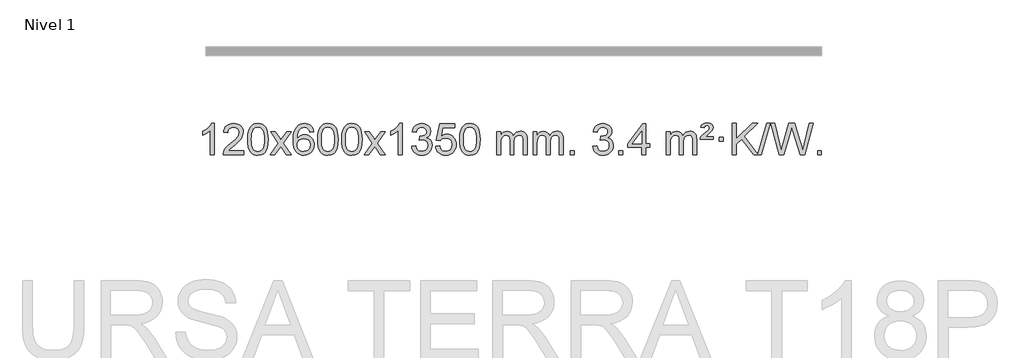
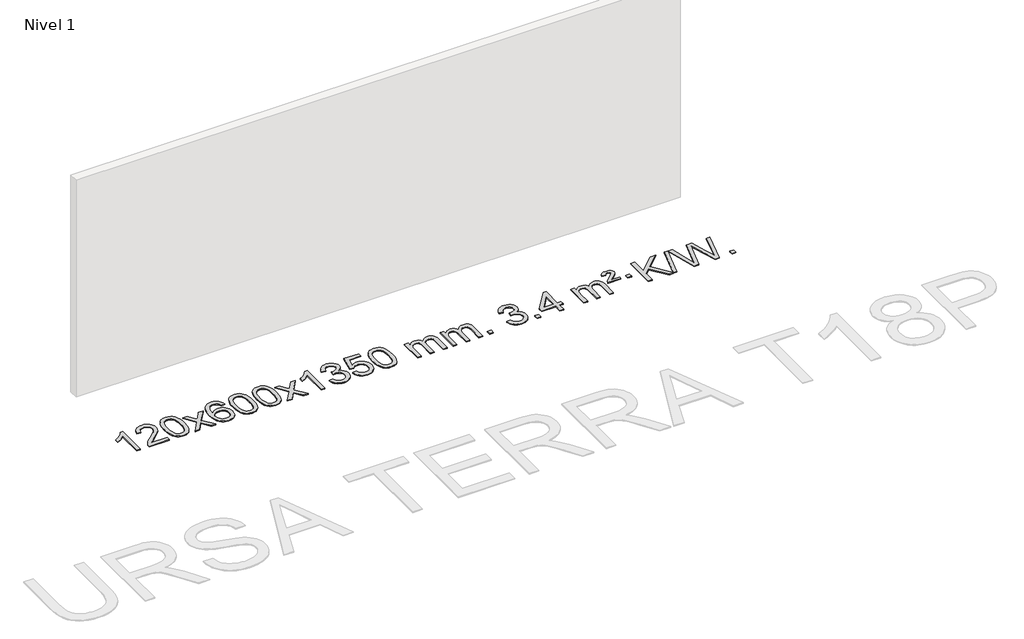
# One storey, part 2 of 7: 1 proxy.
"""IFC4 building model written with IfcOpenShell, lengths in millimetres."""

from ifc_helpers import new_model, si_unit, origin, origin_with_axes, place, context, project, spatial, polyline, outline, extrude, element, save

model = new_model("IFC4")

# Units and contexts
model_context = context("Model", 3, world=origin())
ifc_project = project(units=[si_unit("LENGTHUNIT", "METRE", prefix="MILLI")], contexts=[model_context])

# Site, building, storey
site = spatial("IfcSite", under=ifc_project)
building = spatial("IfcBuilding", under=site)
storey = spatial("IfcBuildingStorey", under=building, Name="Nivel 1", Elevation=0.0)

# Proxy
placement = place(None, origin())
element("IfcBuildingElementProxy", 1, Name="Texto de modelo 1", ObjectType="Texto de modelo 1", at=placement, inside=storey, context=model_context, shape_type="SweptSolid", body=[
    extrude(outline(polyline([(-6421.6378538, -12403.579453), (-6471.8660089, -12403.579453), (-6471.8660089, -12090.4382987), (-6492.8352826, -12107.3976587), (-6519.4454136, -12124.3324932), (-6572.3223191, -12149.6918254), (-6572.3223191, -12102.2105225), (-6532.8731065, -12080.7507395), (-6498.6968691, -12055.219729), (-6471.7556443, -12028.0700378), (-6454.0114694, -12001.7542124), (-6421.6378538, -12001.7542124), (-6421.6378538, -12403.579453)])), origin_with_axes(), (0.0, 0.0, 1.0), 10.0),
    extrude(outline(polyline([(-6044.9266908, -12353.3512979), (-6044.9266908, -12403.579453), (-6308.6245049, -12403.579453), (-6307.5208589, -12385.8965918), (-6303.2289023, -12368.9494945), (-6290.8435418, -12341.8856424), (-6272.7192222, -12315.6311307), (-6246.5014987, -12288.1503456), (-6209.8359265, -12257.4076736), (-6155.6346459, -12209.2641831), (-6123.1138775, -12173.7267824), (-6106.8534933, -12144.884834), (-6101.4333652, -12116.8277005), (-6106.546925, -12091.6768347), (-6121.8876042, -12070.7688747), (-6145.4688401, -12056.6789943), (-6175.3040699, -12051.9823675), (-6206.6353531, -12056.5686297), (-6230.9768785, -12070.3274163), (-6246.6854397, -12092.1796068), (-6252.1178305, -12121.0460807), (-6302.3459855, -12114.7675613), (-6298.0264378, -12088.838012), (-6290.1690915, -12066.1826125), (-6278.7739467, -12046.8013627), (-6263.8410034, -12030.6942627), (-6245.7136181, -12018.0329907), (-6224.7351473, -12008.989225), (-6200.9055911, -12003.5629655), (-6174.2249494, -12001.7542124), (-6147.3051844, -12003.7653006), (-6123.3468694, -12009.7985654), (-6102.3500046, -12019.8540066), (-6084.3145897, -12033.9316242), (-6069.8292362, -12050.9890861), (-6059.4825551, -12069.9840598), (-6053.2745464, -12090.9165453), (-6051.2052102, -12113.7865427), (-6053.4370276, -12137.8092369), (-6060.1324799, -12161.4149983), (-6072.0150684, -12185.4254299), (-6089.8082942, -12210.6621347), (-6118.171996, -12240.7916701), (-6161.7660125, -12279.4805933), (-6219.5480112, -12327.795762), (-6242.2095421, -12353.3512979), (-6044.9266908, -12353.3512979)])), origin_with_axes(), (0.0, 0.0, 1.0), 10.0),
    extrude(outline(polyline([(-5994.6985357, -12205.9041943), (-5991.007453, -12141.5861588), (-5979.934205, -12090.2911459), (-5961.5891561, -12051.2343407), (-5949.7310932, -12036.0009605), (-5936.0826711, -12023.6309284), (-5920.5979048, -12014.0598651), (-5903.230809, -12007.2233914), (-5862.8496286, -12001.7542124), (-5831.8984901, -12004.991574), (-5804.1847131, -12014.7036586), (-5781.0081474, -12030.5103217), (-5763.6686427, -12052.0314184), (-5750.5720437, -12079.0830078), (-5740.1241951, -12111.4811488), (-5733.2815899, -12152.6226186), (-5731.0007216, -12205.9041943), (-5734.6550161, -12269.8543477), (-5745.6178995, -12321.0267333), (-5763.8525837, -12360.1203266), (-5775.6830556, -12375.3996922), (-5789.3222805, -12387.8341036), (-5804.825441, -12397.4695462), (-5822.2477191, -12404.3520052), (-5862.8496286, -12409.8579724), (-5890.5143547, -12407.4667394), (-5915.039821, -12400.2930405), (-5936.4260277, -12388.3368757), (-5954.6729746, -12371.5982449), (-5972.1841576, -12341.3399508), (-5984.6921454, -12303.6381776), (-5992.1969381, -12258.4929255), (-5994.6985357, -12205.9041943)]), holes=[polyline([(-5944.4703806, -12205.8060924), (-5942.9988527, -12249.4706195), (-5938.5842687, -12284.8148822), (-5931.2266288, -12311.8388804), (-5920.9259329, -12330.5426142), (-5908.466996, -12343.2682656), (-5894.634633, -12352.3580165), (-5879.4288439, -12357.8118671), (-5862.8496286, -12359.6298173), (-5846.2704134, -12357.8057357), (-5831.0646243, -12352.3334911), (-5817.2322612, -12343.2130833), (-5804.7733243, -12330.4445124), (-5794.4726285, -12311.7101217), (-5787.1149886, -12284.6922549), (-5782.7004046, -12249.3909118), (-5781.2288766, -12205.8060924), (-5782.6513537, -12163.2973278), (-5786.9187848, -12128.5753989), (-5794.0311701, -12101.6403055), (-5803.9885094, -12082.4920476), (-5816.2389799, -12069.1440625), (-5830.2307584, -12059.6097875), (-5845.9638451, -12053.8892225), (-5863.4382398, -12051.9823675), (-5879.931616, -12053.6623619), (-5894.8798877, -12058.7023452), (-5908.283055, -12067.1023175), (-5920.141118, -12078.8622786), (-5930.7851704, -12099.708925), (-5938.388065, -12127.8151094), (-5942.9498017, -12163.1808319), (-5944.4703806, -12205.8060924)])]), origin_with_axes(), (0.0, 0.0, 1.0), 10.0),
    extrude(outline(polyline([(-5705.886644, -12403.579453), (-5598.5632033, -12255.2494325), (-5699.6081246, -12108.4890419), (-5639.1773756, -12108.4890419), (-5590.4207485, -12179.122385), (-5567.6611157, -12212.4770192), (-5547.9426408, -12185.2047007), (-5492.416985, -12108.4890419), (-5431.9862359, -12108.4890419), (-5538.1324542, -12255.2494325), (-5435.9103105, -12403.579453), (-5496.3410596, -12403.579453), (-5557.8509292, -12314.4048574), (-5569.1326437, -12298.1199477), (-5645.455895, -12403.579453), (-5705.886644, -12403.579453)])), origin_with_axes(), (0.0, 0.0, 1.0), 10.0),
    extrude(outline(polyline([(-5147.0984188, -12108.4890419), (-5197.3265739, -12114.7675613), (-5205.4199778, -12089.874213), (-5216.3583358, -12072.8780648), (-5239.142494, -12057.2062918), (-5266.6845927, -12051.9823675), (-5290.0328367, -12055.0235253), (-5312.0076545, -12064.1469988), (-5330.8800009, -12083.3627017), (-5346.2942565, -12109.8134171), (-5356.7053169, -12147.227016), (-5360.5680779, -12199.3313693), (-5340.4204073, -12175.8237098), (-5316.2750857, -12159.2567573), (-5289.4810137, -12149.434308), (-5261.387092, -12146.1601582), (-5237.2540331, -12148.398107), (-5214.9849097, -12155.1119534), (-5194.5797217, -12166.3016975), (-5176.0384691, -12181.9673391), (-5160.6303449, -12201.1769106), (-5149.6245419, -12222.9984443), (-5143.02106, -12247.4319401), (-5140.8198994, -12274.4773982), (-5144.9647033, -12310.4439945), (-5157.3991147, -12343.786366), (-5177.0930642, -12372.0642287), (-5203.0164821, -12392.8372987), (-5233.9921461, -12405.602804), (-5268.8428338, -12409.8579724), (-5298.7853625, -12407.0375437), (-5325.8277548, -12398.5762579), (-5349.9700107, -12384.4741147), (-5371.2121303, -12364.7311143), (-5388.5301752, -12338.5133908), (-5400.9002073, -12304.9870783), (-5408.3222266, -12264.1521768), (-5410.796233, -12216.0086864), (-5408.0493807, -12162.0342663), (-5399.808824, -12115.9693092), (-5386.0745629, -12077.8138149), (-5366.8465973, -12047.5677835), (-5346.0060823, -12027.5243462), (-5321.8423665, -12013.2076052), (-5294.3554501, -12004.6175606), (-5263.545333, -12001.7542124), (-5240.4116869, -12003.5261773), (-5219.47307, -12008.8420722), (-5200.7294824, -12017.7018969), (-5184.1809239, -12030.1056515), (-5170.2749845, -12045.6364031), (-5159.4592539, -12063.8772186), (-5151.733732, -12084.8280983), (-5147.0984188, -12108.4890419)]), holes=[polyline([(-5360.5680779, -12273.6925832), (-5357.6618101, -12295.9494439), (-5348.9430068, -12317.2007605), (-5335.4049494, -12335.472233), (-5318.0409193, -12348.7895612), (-5297.0839083, -12356.9197533), (-5272.7669084, -12359.6298173), (-5239.6207406, -12354.0134855), (-5225.7056041, -12346.9930708), (-5213.5624326, -12337.1644901), (-5203.7123922, -12324.9262824), (-5196.676649, -12310.6769865), (-5191.0480545, -12276.1451299), (-5196.6030726, -12242.9989621), (-5203.5468453, -12229.3781312), (-5213.268127, -12217.725469), (-5225.4480867, -12208.3904634), (-5239.7678934, -12201.7226022), (-5274.8270476, -12196.3883133), (-5307.9241644, -12201.7226022), (-5335.6011532, -12217.725469), (-5346.5241827, -12229.2248471), (-5354.3263467, -12242.3858254), (-5359.0076451, -12257.2084042), (-5360.5680779, -12273.6925832)])]), origin_with_axes(), (0.0, 0.0, 1.0), 10.0),
    extrude(outline(polyline([(-5096.8702638, -12205.9041943), (-5093.1791811, -12141.5861588), (-5082.105933, -12090.2911459), (-5063.7608842, -12051.2343407), (-5051.9028212, -12036.0009605), (-5038.2543992, -12023.6309284), (-5022.7696329, -12014.0598651), (-5005.402537, -12007.2233914), (-4965.0213567, -12001.7542124), (-4934.0702182, -12004.991574), (-4906.3564412, -12014.7036586), (-4883.1798755, -12030.5103217), (-4865.8403708, -12052.0314184), (-4852.7437718, -12079.0830078), (-4842.2959231, -12111.4811488), (-4835.453318, -12152.6226186), (-4833.1724496, -12205.9041943), (-4836.8267441, -12269.8543477), (-4847.7896275, -12321.0267333), (-4866.0243118, -12360.1203266), (-4877.8547836, -12375.3996922), (-4891.4940086, -12387.8341036), (-4906.997169, -12397.4695462), (-4924.4194471, -12404.3520052), (-4965.0213567, -12409.8579724), (-4992.6860827, -12407.4667394), (-5017.2115491, -12400.2930405), (-5038.5977557, -12388.3368757), (-5056.8447027, -12371.5982449), (-5074.3558856, -12341.3399508), (-5086.8638735, -12303.6381776), (-5094.3686662, -12258.4929255), (-5096.8702638, -12205.9041943)]), holes=[polyline([(-5046.6421087, -12205.8060924), (-5045.1705807, -12249.4706195), (-5040.7559968, -12284.8148822), (-5033.3983568, -12311.8388804), (-5023.097661, -12330.5426142), (-5010.6387241, -12343.2682656), (-4996.8063611, -12352.3580165), (-4981.6005719, -12357.8118671), (-4965.0213567, -12359.6298173), (-4948.4421414, -12357.8057357), (-4933.2363523, -12352.3334911), (-4919.4039893, -12343.2130833), (-4906.9450524, -12330.4445124), (-4896.6443565, -12311.7101217), (-4889.2867166, -12284.6922549), (-4884.8721327, -12249.3909118), (-4883.4006047, -12205.8060924), (-4884.8230817, -12163.2973278), (-4889.0905129, -12128.5753989), (-4896.2028981, -12101.6403055), (-4906.1602375, -12082.4920476), (-4918.4107079, -12069.1440625), (-4932.4024864, -12059.6097875), (-4948.1355731, -12053.8892225), (-4965.6099679, -12051.9823675), (-4982.103344, -12053.6623619), (-4997.0516157, -12058.7023452), (-5010.4547831, -12067.1023175), (-5022.3128461, -12078.8622786), (-5032.9568985, -12099.708925), (-5040.559793, -12127.8151094), (-5045.1215298, -12163.1808319), (-5046.6421087, -12205.8060924)])]), origin_with_axes(), (0.0, 0.0, 1.0), 10.0),
    extrude(outline(polyline([(-4789.2228139, -12205.9041943), (-4785.5317312, -12141.5861588), (-4774.4584832, -12090.2911459), (-4756.1134344, -12051.2343407), (-4744.2553714, -12036.0009605), (-4730.6069494, -12023.6309284), (-4715.122183, -12014.0598651), (-4697.7550872, -12007.2233914), (-4657.3739068, -12001.7542124), (-4626.4227683, -12004.991574), (-4598.7089913, -12014.7036586), (-4575.5324257, -12030.5103217), (-4558.1929209, -12052.0314184), (-4545.0963219, -12079.0830078), (-4534.6484733, -12111.4811488), (-4527.8058681, -12152.6226186), (-4525.5249998, -12205.9041943), (-4529.1792943, -12269.8543477), (-4540.1421777, -12321.0267333), (-4558.3768619, -12360.1203266), (-4570.2073338, -12375.3996922), (-4583.8465587, -12387.8341036), (-4599.3497192, -12397.4695462), (-4616.7719973, -12404.3520052), (-4657.3739068, -12409.8579724), (-4685.0386329, -12407.4667394), (-4709.5640992, -12400.2930405), (-4730.9503059, -12388.3368757), (-4749.1972528, -12371.5982449), (-4766.7084358, -12341.3399508), (-4779.2164236, -12303.6381776), (-4786.7212164, -12258.4929255), (-4789.2228139, -12205.9041943)]), holes=[polyline([(-4738.9946588, -12205.8060924), (-4737.5231309, -12249.4706195), (-4733.1085469, -12284.8148822), (-4725.750907, -12311.8388804), (-4715.4502112, -12330.5426142), (-4702.9912742, -12343.2682656), (-4689.1589112, -12352.3580165), (-4673.9531221, -12357.8118671), (-4657.3739068, -12359.6298173), (-4640.7946916, -12357.8057357), (-4625.5889025, -12352.3334911), (-4611.7565394, -12343.2130833), (-4599.2976025, -12330.4445124), (-4588.9969067, -12311.7101217), (-4581.6392668, -12284.6922549), (-4577.2246828, -12249.3909118), (-4575.7531548, -12205.8060924), (-4577.1756319, -12163.2973278), (-4581.443063, -12128.5753989), (-4588.5554483, -12101.6403055), (-4598.5127876, -12082.4920476), (-4610.7632581, -12069.1440625), (-4624.7550366, -12059.6097875), (-4640.4881233, -12053.8892225), (-4657.962518, -12051.9823675), (-4674.4558942, -12053.6623619), (-4689.4041659, -12058.7023452), (-4702.8073333, -12067.1023175), (-4714.6653962, -12078.8622786), (-4725.3094486, -12099.708925), (-4732.9123432, -12127.8151094), (-4737.4740799, -12163.1808319), (-4738.9946588, -12205.8060924)])]), origin_with_axes(), (0.0, 0.0, 1.0), 10.0),
    extrude(outline(polyline([(-4500.4109222, -12403.579453), (-4393.0874815, -12255.2494325), (-4494.1324029, -12108.4890419), (-4433.7016538, -12108.4890419), (-4384.9450267, -12179.122385), (-4362.1853939, -12212.4770192), (-4342.466919, -12185.2047007), (-4286.9412632, -12108.4890419), (-4226.5105141, -12108.4890419), (-4332.6567324, -12255.2494325), (-4230.4345887, -12403.579453), (-4290.8653378, -12403.579453), (-4352.3752074, -12314.4048574), (-4363.6569219, -12298.1199477), (-4439.9801732, -12403.579453), (-4500.4109222, -12403.579453)])), origin_with_axes(), (0.0, 0.0, 1.0), 10.0),
    extrude(outline(polyline([(-4010.6864103, -12403.579453), (-4060.9145653, -12403.579453), (-4060.9145653, -12090.4382987), (-4081.8838391, -12107.3976587), (-4108.49397, -12124.3324932), (-4161.3708755, -12149.6918254), (-4161.3708755, -12102.2105225), (-4121.9216629, -12080.7507395), (-4087.7454255, -12055.219729), (-4060.8042007, -12028.0700378), (-4043.0600258, -12001.7542124), (-4010.6864103, -12001.7542124), (-4010.6864103, -12403.579453)])), origin_with_axes(), (0.0, 0.0, 1.0), 10.0),
    extrude(outline(polyline([(-3891.394542, -12296.8446235), (-3841.1663869, -12290.5661041), (-3829.9214606, -12322.1303793), (-3813.4526099, -12343.4430095), (-3790.9504945, -12355.5831154), (-3761.6057741, -12359.6298173), (-3727.1720193, -12354.0625364), (-3712.8981979, -12347.1034354), (-3700.5864138, -12337.3606939), (-3683.5902656, -12312.4428201), (-3677.9248829, -12282.2274455), (-3683.5412147, -12253.5449126), (-3700.3902101, -12230.2825078), (-3725.8966951, -12214.8682522), (-3757.4854957, -12209.730167), (-3792.7040654, -12215.2238715), (-3787.1122591, -12164.9957164), (-3779.0679061, -12165.5843276), (-3748.9751589, -12161.979084), (-3722.0707223, -12151.1633534), (-3710.9974743, -12142.9841103), (-3703.0880114, -12132.8673555), (-3698.3423336, -12120.8130888), (-3696.760441, -12106.8213102), (-3701.3467032, -12085.1285352), (-3715.1054899, -12067.5315131), (-3736.0992891, -12055.8696539), (-3762.390589, -12051.9823675), (-3788.7309398, -12055.9064421), (-3810.2642993, -12067.6786659), (-3825.9851232, -12087.299039), (-3834.8878675, -12114.7675613), (-3885.1160226, -12108.4890419), (-3879.1624656, -12084.5092672), (-3870.3271664, -12063.3867093), (-3858.6101248, -12045.1213683), (-3844.011341, -12029.713244), (-3826.9906673, -12017.4811677), (-3808.0079564, -12008.7439703), (-3787.0632081, -12003.5016519), (-3764.1564226, -12001.7542124), (-3732.5798846, -12005.2000404), (-3703.5785207, -12015.5375245), (-3679.1266307, -12031.8469596), (-3661.1985148, -12053.2086408), (-3650.1988432, -12077.8199463), (-3646.532286, -12103.8782543), (-3650.0149022, -12128.1584659), (-3660.4627509, -12150.1823347), (-3677.7286792, -12168.9443165), (-3701.6655343, -12183.4388671), (-3670.2238865, -12196.1430586), (-3646.9246934, -12217.77452), (-3632.5037192, -12247.1560286), (-3627.6967278, -12283.1103623), (-3630.1002235, -12308.5923218), (-3637.3107106, -12332.0631931), (-3649.3281891, -12353.5229762), (-3666.152659, -12372.971671), (-3686.6498175, -12389.1094278), (-3709.6853618, -12400.636397), (-3735.2592918, -12407.5525785), (-3763.3716076, -12409.8579724), (-3788.7799908, -12407.8898037), (-3811.932031, -12401.9852977), (-3832.8277283, -12392.1444543), (-3851.4670827, -12378.3672736), (-3867.0959362, -12361.4630959), (-3878.9601305, -12342.2412617), (-3887.0596658, -12320.7017708), (-3891.394542, -12296.8446235)])), origin_with_axes(), (0.0, 0.0, 1.0), 10.0),
    extrude(outline(polyline([(-3583.7470921, -12296.8446235), (-3533.518937, -12290.5661041), (-3524.2973617, -12320.7201649), (-3508.2086558, -12342.3148381), (-3485.3263957, -12355.3010725), (-3455.7241578, -12359.6298173), (-3436.5942941, -12358.1245668), (-3419.7207732, -12353.6088153), (-3405.1035953, -12346.0825628), (-3392.7427602, -12335.5458094), (-3382.9141796, -12322.519721), (-3375.8937648, -12307.5254641), (-3370.2774331, -12271.6324441), (-3375.5381456, -12237.8363514), (-3382.1140362, -12223.9181493), (-3391.3202832, -12211.9865099), (-3403.1875432, -12202.4154467), (-3417.7464732, -12195.5789729), (-3454.9393429, -12190.1097939), (-3479.3053937, -12192.2925604), (-3499.0361314, -12198.8408599), (-3514.7937435, -12208.8717757), (-3527.2404177, -12221.5023908), (-3577.4685727, -12215.2238715), (-3533.518937, -12008.0327318), (-3338.8848361, -12008.0327318), (-3338.8848361, -12058.2608869), (-3492.9047648, -12058.2608869), (-3514.3890733, -12168.919791), (-3496.6632925, -12156.2155994), (-3478.508316, -12147.1411769), (-3459.9241439, -12141.6965234), (-3440.9107761, -12139.8816388), (-3416.4496891, -12142.1318504), (-3393.9812963, -12148.882485), (-3373.5055976, -12160.1335427), (-3355.022593, -12175.8850234), (-3339.7217677, -12195.1743027), (-3328.7926067, -12217.038756), (-3322.2351102, -12241.4783832), (-3320.049278, -12268.4931844), (-3322.0174467, -12294.5147042), (-3327.9219527, -12318.7213394), (-3337.762796, -12341.1130902), (-3351.5399768, -12361.6899565), (-3372.4111486, -12382.7634634), (-3396.7649367, -12397.8159684), (-3424.601341, -12406.8474714), (-3455.9203615, -12409.8579724), (-3481.8407138, -12407.9235262), (-3505.2533371, -12402.1201877), (-3526.1582315, -12392.447957), (-3544.5553969, -12378.9068338), (-3559.8623536, -12362.1712688), (-3571.4966217, -12342.915712), (-3579.4582012, -12321.1401636), (-3583.7470921, -12296.8446235)])), origin_with_axes(), (0.0, 0.0, 1.0), 10.0),
    extrude(outline(polyline([(-3276.0996423, -12205.9041943), (-3272.4085596, -12141.5861588), (-3261.3353115, -12090.2911459), (-3242.9902627, -12051.2343407), (-3231.1321997, -12036.0009605), (-3217.4837777, -12023.6309284), (-3201.9990114, -12014.0598651), (-3184.6319156, -12007.2233914), (-3144.2507352, -12001.7542124), (-3113.2995967, -12004.991574), (-3085.5858197, -12014.7036586), (-3062.409254, -12030.5103217), (-3045.0697493, -12052.0314184), (-3031.9731503, -12079.0830078), (-3021.5253016, -12111.4811488), (-3014.6826965, -12152.6226186), (-3012.4018281, -12205.9041943), (-3016.0561226, -12269.8543477), (-3027.0190061, -12321.0267333), (-3045.2536903, -12360.1203266), (-3057.0841621, -12375.3996922), (-3070.7233871, -12387.8341036), (-3086.2265475, -12397.4695462), (-3103.6488257, -12404.3520052), (-3144.2507352, -12409.8579724), (-3171.9154613, -12407.4667394), (-3196.4409276, -12400.2930405), (-3217.8271343, -12388.3368757), (-3236.0740812, -12371.5982449), (-3253.5852642, -12341.3399508), (-3266.093252, -12303.6381776), (-3273.5980447, -12258.4929255), (-3276.0996423, -12205.9041943)]), holes=[polyline([(-3225.8714872, -12205.8060924), (-3224.3999592, -12249.4706195), (-3219.9853753, -12284.8148822), (-3212.6277354, -12311.8388804), (-3202.3270395, -12330.5426142), (-3189.8681026, -12343.2682656), (-3176.0357396, -12352.3580165), (-3160.8299505, -12357.8118671), (-3144.2507352, -12359.6298173), (-3127.67152, -12357.8057357), (-3112.4657308, -12352.3334911), (-3098.6333678, -12343.2130833), (-3086.1744309, -12330.4445124), (-3075.873735, -12311.7101217), (-3068.5160951, -12284.6922549), (-3064.1015112, -12249.3909118), (-3062.6299832, -12205.8060924), (-3064.0524603, -12163.2973278), (-3068.3198914, -12128.5753989), (-3075.4322767, -12101.6403055), (-3085.389616, -12082.4920476), (-3097.6400864, -12069.1440625), (-3111.631865, -12059.6097875), (-3127.3649516, -12053.8892225), (-3144.8393464, -12051.9823675), (-3161.3327225, -12053.6623619), (-3176.2809943, -12058.7023452), (-3189.6841616, -12067.1023175), (-3201.5422246, -12078.8622786), (-3212.186277, -12099.708925), (-3219.7891716, -12127.8151094), (-3224.3509083, -12163.1808319), (-3225.8714872, -12205.8060924)])]), origin_with_axes(), (0.0, 0.0, 1.0), 10.0),
    extrude(outline(polyline([(-2798.9321691, -12403.579453), (-2798.9321691, -12108.4890419), (-2748.704014, -12108.4890419), (-2748.704014, -12157.0494653), (-2733.5963267, -12134.7435537), (-2714.1721574, -12117.2691589), (-2691.0936936, -12105.9751816), (-2665.0231228, -12102.2105225), (-2637.0886167, -12106.048758), (-2614.6968659, -12117.5634645), (-2597.9704978, -12135.9943524), (-2587.0321399, -12160.5811324), (-2568.7238792, -12135.0439906), (-2547.8404446, -12116.803175), (-2524.3818361, -12105.8586857), (-2498.3480536, -12102.2105225), (-2478.2402368, -12103.7280358), (-2460.5910981, -12108.2805755), (-2445.4006374, -12115.8681416), (-2432.6688547, -12126.4907342), (-2422.6042164, -12140.2709806), (-2415.4151891, -12157.3315082), (-2411.1017727, -12177.6723168), (-2409.6639672, -12201.2934066), (-2409.6639672, -12403.579453), (-2459.8921223, -12403.579453), (-2459.8921223, -12222.875817), (-2461.057082, -12197.8230531), (-2464.5519609, -12180.9372695), (-2471.1002604, -12169.3735121), (-2481.4254818, -12160.2868268), (-2494.7060218, -12154.4007149), (-2510.1202774, -12152.4386776), (-2537.3312823, -12157.4663982), (-2559.5145666, -12172.54956), (-2568.1199396, -12184.1194488), (-2574.2666346, -12198.7182326), (-2579.1839906, -12237.0024856), (-2579.1839906, -12403.579453), (-2629.4121457, -12403.579453), (-2629.4121457, -12217.2840106), (-2632.3184135, -12188.8835206), (-2641.0372167, -12168.6254854), (-2656.3778959, -12156.4853796), (-2679.1497914, -12152.4386776), (-2698.5003844, -12155.1364789), (-2716.3303984, -12163.2298828), (-2731.0456782, -12176.5226856), (-2741.0520685, -12194.8186835), (-2746.7910276, -12220.2025411), (-2748.704014, -12254.7589232), (-2748.704014, -12403.579453), (-2798.9321691, -12403.579453)])), origin_with_axes(), (0.0, 0.0, 1.0), 10.0),
    extrude(outline(polyline([(-2334.3217346, -12403.579453), (-2334.3217346, -12108.4890419), (-2284.0935796, -12108.4890419), (-2284.0935796, -12157.0494653), (-2268.9858923, -12134.7435537), (-2249.5617229, -12117.2691589), (-2226.4832591, -12105.9751816), (-2200.4126884, -12102.2105225), (-2172.4781822, -12106.048758), (-2150.0864315, -12117.5634645), (-2133.3600634, -12135.9943524), (-2122.4217054, -12160.5811324), (-2104.1134448, -12135.0439906), (-2083.2300102, -12116.803175), (-2059.7714016, -12105.8586857), (-2033.7376191, -12102.2105225), (-2013.6298024, -12103.7280358), (-1995.9806637, -12108.2805755), (-1980.790203, -12115.8681416), (-1968.0584202, -12126.4907342), (-1957.993782, -12140.2709806), (-1950.8047547, -12157.3315082), (-1946.4913383, -12177.6723168), (-1945.0535328, -12201.2934066), (-1945.0535328, -12403.579453), (-1995.2816879, -12403.579453), (-1995.2816879, -12222.875817), (-1996.4466475, -12197.8230531), (-1999.9415265, -12180.9372695), (-2006.489826, -12169.3735121), (-2016.8150473, -12160.2868268), (-2030.0955874, -12154.4007149), (-2045.509843, -12152.4386776), (-2072.7208479, -12157.4663982), (-2094.9041322, -12172.54956), (-2103.5095052, -12184.1194488), (-2109.6562002, -12198.7182326), (-2114.5735562, -12237.0024856), (-2114.5735562, -12403.579453), (-2164.8017113, -12403.579453), (-2164.8017113, -12217.2840106), (-2167.707979, -12188.8835206), (-2176.4267823, -12168.6254854), (-2191.7674615, -12156.4853796), (-2214.539357, -12152.4386776), (-2233.88995, -12155.1364789), (-2251.719964, -12163.2298828), (-2266.4352438, -12176.5226856), (-2276.4416341, -12194.8186835), (-2282.1805932, -12220.2025411), (-2284.0935796, -12254.7589232), (-2284.0935796, -12403.579453), (-2334.3217346, -12403.579453)])), origin_with_axes(), (0.0, 0.0, 1.0), 10.0),
    extrude(outline(polyline([(-1857.1542614, -12403.579453), (-1857.1542614, -12353.3512979), (-1806.9261064, -12353.3512979), (-1806.9261064, -12403.579453), (-1857.1542614, -12403.579453)])), origin_with_axes(), (0.0, 0.0, 1.0), 10.0),
    extrude(outline(polyline([(-1568.3423697, -12296.8446235), (-1518.1142147, -12290.5661041), (-1506.8692884, -12322.1303793), (-1490.4004377, -12343.4430095), (-1467.8983223, -12355.5831154), (-1438.5536018, -12359.6298173), (-1404.1198471, -12354.0625364), (-1389.8460257, -12347.1034354), (-1377.5342416, -12337.3606939), (-1360.5380934, -12312.4428201), (-1354.8727107, -12282.2274455), (-1360.4890425, -12253.5449126), (-1377.3380379, -12230.2825078), (-1402.8445228, -12214.8682522), (-1434.4333235, -12209.730167), (-1469.6518932, -12215.2238715), (-1464.0600868, -12164.9957164), (-1456.0157339, -12165.5843276), (-1425.9229867, -12161.979084), (-1399.0185501, -12151.1633534), (-1387.945302, -12142.9841103), (-1380.0358391, -12132.8673555), (-1375.2901614, -12120.8130888), (-1373.7082688, -12106.8213102), (-1378.294531, -12085.1285352), (-1392.0533177, -12067.5315131), (-1413.0471168, -12055.8696539), (-1439.3384168, -12051.9823675), (-1465.6787676, -12055.9064421), (-1487.2121271, -12067.6786659), (-1502.932951, -12087.299039), (-1511.8356953, -12114.7675613), (-1562.0638504, -12108.4890419), (-1556.1102934, -12084.5092672), (-1547.2749942, -12063.3867093), (-1535.5579526, -12045.1213683), (-1520.9591688, -12029.713244), (-1503.9384951, -12017.4811677), (-1484.9557842, -12008.7439703), (-1464.0110359, -12003.5016519), (-1441.1042503, -12001.7542124), (-1409.5277124, -12005.2000404), (-1380.5263485, -12015.5375245), (-1356.0744585, -12031.8469596), (-1338.1463426, -12053.2086408), (-1327.146671, -12077.8199463), (-1323.4801138, -12103.8782543), (-1326.96273, -12128.1584659), (-1337.4105786, -12150.1823347), (-1354.6765069, -12168.9443165), (-1378.6133621, -12183.4388671), (-1347.1717142, -12196.1430586), (-1323.8725212, -12217.77452), (-1309.451547, -12247.1560286), (-1304.6445556, -12283.1103623), (-1307.0480513, -12308.5923218), (-1314.2585384, -12332.0631931), (-1326.2760169, -12353.5229762), (-1343.1004868, -12372.971671), (-1363.5976453, -12389.1094278), (-1386.6331896, -12400.636397), (-1412.2071196, -12407.5525785), (-1440.3194354, -12409.8579724), (-1465.7278186, -12407.8898037), (-1488.8798588, -12401.9852977), (-1509.7755561, -12392.1444543), (-1528.4149105, -12378.3672736), (-1544.043764, -12361.4630959), (-1555.9079583, -12342.2412617), (-1564.0074936, -12320.7017708), (-1568.3423697, -12296.8446235)])), origin_with_axes(), (0.0, 0.0, 1.0), 10.0),
    extrude(outline(polyline([(-1235.5808424, -12403.579453), (-1235.5808424, -12353.3512979), (-1185.3526873, -12353.3512979), (-1185.3526873, -12403.579453), (-1235.5808424, -12403.579453)])), origin_with_axes(), (0.0, 0.0, 1.0), 10.0),
    extrude(outline(polyline([(-940.4904313, -12403.579453), (-940.4904313, -12309.4016622), (-1122.5674935, -12309.4016622), (-1122.5674935, -12259.1735072), (-927.9333925, -12008.0327318), (-890.2622762, -12008.0327318), (-890.2622762, -12259.1735072), (-840.0341212, -12259.1735072), (-840.0341212, -12309.4016622), (-890.2622762, -12309.4016622), (-890.2622762, -12403.579453), (-940.4904313, -12403.579453)]), holes=[polyline([(-940.4904313, -12259.1735072), (-940.4904313, -12103.9763561), (-1060.7633183, -12259.1735072), (-940.4904313, -12259.1735072)])]), origin_with_axes(), (0.0, 0.0, 1.0), 10.0),
    extrude(outline(polyline([(-626.5644621, -12403.579453), (-626.5644621, -12108.4890419), (-576.336307, -12108.4890419), (-576.336307, -12157.0494653), (-561.2286197, -12134.7435537), (-541.8044504, -12117.2691589), (-518.7259866, -12105.9751816), (-492.6554158, -12102.2105225), (-464.7209097, -12106.048758), (-442.3291589, -12117.5634645), (-425.6027909, -12135.9943524), (-414.6644329, -12160.5811324), (-396.3561722, -12135.0439906), (-375.4727377, -12116.803175), (-352.0141291, -12105.8586857), (-325.9803466, -12102.2105225), (-305.8725298, -12103.7280358), (-288.2233911, -12108.2805755), (-273.0329304, -12115.8681416), (-260.3011477, -12126.4907342), (-250.2365094, -12140.2709806), (-243.0474821, -12157.3315082), (-238.7340657, -12177.6723168), (-237.2962603, -12201.2934066), (-237.2962603, -12403.579453), (-287.5244153, -12403.579453), (-287.5244153, -12222.875817), (-288.689375, -12197.8230531), (-292.1842539, -12180.9372695), (-298.7325535, -12169.3735121), (-309.0577748, -12160.2868268), (-322.3383148, -12154.4007149), (-337.7525704, -12152.4386776), (-364.9635753, -12157.4663982), (-387.1468596, -12172.54956), (-395.7522326, -12184.1194488), (-401.8989276, -12198.7182326), (-406.8162836, -12237.0024856), (-406.8162836, -12403.579453), (-457.0444387, -12403.579453), (-457.0444387, -12217.2840106), (-459.9507065, -12188.8835206), (-468.6695098, -12168.6254854), (-484.010189, -12156.4853796), (-506.7820845, -12152.4386776), (-526.1326774, -12155.1364789), (-543.9626914, -12163.2298828), (-558.6779713, -12176.5226856), (-568.6843615, -12194.8186835), (-574.4233206, -12220.2025411), (-576.336307, -12254.7589232), (-576.336307, -12403.579453), (-626.5644621, -12403.579453)])), origin_with_axes(), (0.0, 0.0, 1.0), 10.0),
    extrude(outline(polyline([(-193.3466246, -12202.6668327), (-189.5206518, -12186.8479069), (-181.1819933, -12170.9799302), (-159.6731593, -12145.8413272), (-127.7164766, -12118.1030247), (-83.5706372, -12080.726214), (-76.4337265, -12069.1992448), (-74.0547563, -12057.3779701), (-75.9432172, -12045.2869152), (-81.6085999, -12035.5012541), (-90.977328, -12029.026531), (-103.9758252, -12026.8682899), (-116.4102366, -12028.4869707), (-125.26393, -12033.343013), (-131.6896022, -12042.8098431), (-136.8399501, -12058.2608869), (-187.0681052, -12051.9823675), (-176.2278491, -12026.7701881), (-159.5995829, -12009.2099542), (-135.834406, -11998.9092583), (-103.5834178, -11995.475693), (-67.8007624, -11999.6082341), (-43.0545668, -12012.0058573), (-28.6335926, -12030.3386434), (-23.8266012, -12052.2766731), (-27.9223541, -12075.1834586), (-40.2096127, -12096.8149199), (-60.737428, -12116.6314968), (-97.2067965, -12144.6886303), (-122.8113834, -12171.2742358), (-23.8266012, -12171.2742358), (-23.8266012, -12202.6668327), (-193.3466246, -12202.6668327)])), origin_with_axes(), (0.0, 0.0, 1.0), 10.0),
    extrude(outline(polyline([(51.5156314, -12227.7809102), (51.5156314, -12177.5527552), (101.7437865, -12177.5527552), (101.7437865, -12227.7809102), (51.5156314, -12227.7809102)])), origin_with_axes(), (0.0, 0.0, 1.0), 10.0),
    extrude(outline(polyline([(492.3854144, -12403.579453), (338.954097, -12200.9009991), (271.2638099, -12265.4520265), (271.2638099, -12403.579453), (221.0356548, -12403.579453), (221.0356548, -12001.7542124), (271.2638099, -12001.7542124), (271.2638099, -12198.4484525), (477.2777272, -12001.7542124), (547.5186628, -12001.7542124), (374.5650741, -12166.9577537), (549.218684, -12397.5349332), (660.5320117, -12001.7542124), (705.8550735, -12001.7542124), (592.8417246, -12403.579453), (553.7971822, -12403.579453), (547.5186628, -12403.579453), (492.3854144, -12403.579453)])), origin_with_axes(), (0.0, 0.0, 1.0), 10.0),
    extrude(outline(polyline([(820.3399504, -12403.579453), (710.7601668, -12001.7542124), (762.5579517, -12001.7542124), (826.1279605, -12265.844434), (845.7483335, -12347.3670841), (866.7421327, -12275.2622131), (946.4008474, -12001.7542124), (1021.056367, -12001.7542124), (1078.9364675, -12200.0180823), (1103.731714, -12273.5944814), (1122.0031864, -12347.3670841), (1141.0349483, -12268.1988788), (1205.1935683, -12001.7542124), (1256.9913532, -12001.7542124), (1147.3134677, -12403.579453), (1093.6517474, -12403.579453), (997.3157155, -12093.5775584), (983.87576, -12050.3146358), (968.7680727, -12102.4067263), (880.9669032, -12403.579453), (820.3399504, -12403.579453)])), origin_with_axes(), (0.0, 0.0, 1.0), 10.0),
    extrude(outline(polyline([(1313.4980277, -12403.579453), (1313.4980277, -12353.3512979), (1363.7261827, -12353.3512979), (1363.7261827, -12403.579453), (1313.4980277, -12403.579453)])), origin_with_axes(), (0.0, 0.0, 1.0), 10.0),
])

save(model, "model.ifc")
